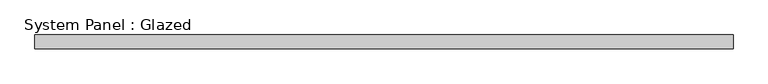
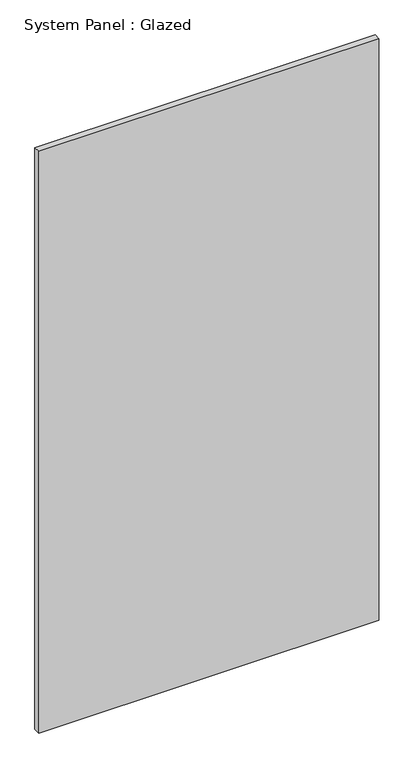
"""IFC4 building model written with IfcOpenShell, lengths in millimetres: plate geometry, System Panel : Glazed."""

from ifc_helpers import new_model, si_unit, origin, origin_with_axes, place, context, project, spatial, polyline, outline, extrude, source, transform, mapped, element, save


def system_panel_glazed_4327b120(model_context):
    return source(origin(), model_context, "Body", "SweptSolid", [
        extrude(outline(polyline([(646.1125, 19.05), (-646.1125, 19.05), (-646.1125, 44.45), (646.1125, 44.45), (646.1125, 19.05)])), origin_with_axes(), (0.0, 0.0, 1.0), 2336.8),
    ])


if __name__ == "__main__":
    model = new_model("IFC4")
    model_context = context("Model", 3, world=origin())
    ifc_project = project(units=[si_unit("LENGTHUNIT", "METRE", prefix="MILLI")], contexts=[model_context])
    site = spatial("IfcSite", under=ifc_project)
    building = spatial("IfcBuilding", under=site)
    placement = place(None, origin())
    system_panel_glazed_shape = system_panel_glazed_4327b120(model_context)
    element("IfcPlate", 1, ObjectType="System Panel : Glazed", at=placement, inside=building, context=model_context, shape_type="MappedRepresentation", body=[
        mapped(system_panel_glazed_shape, transform((0.0, 0.0, 0.0), x_axis=(1.0, 0.0, 0.0), y_axis=(0.0, 1.0, 0.0), z_axis=(0.0, 0.0, 1.0))),
    ])
    save(model, "model.ifc")
